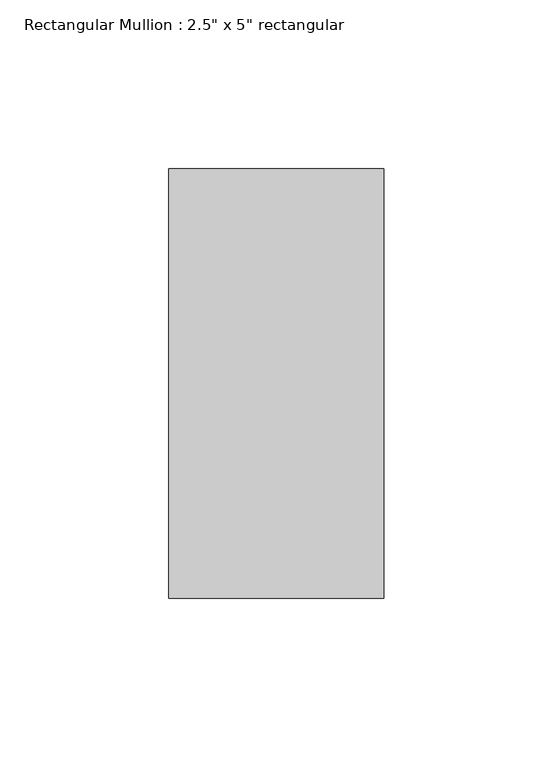
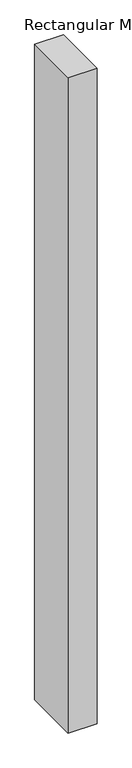
"""IFC4 building model written with IfcOpenShell, lengths in millimetres: member geometry."""

from ifc_helpers import new_model, si_unit, frame, origin, place, context, project, spatial, polyline, outline, extrude, source, transform, mapped, element, save


def member_82905deb(model_context):
    return source(origin(), model_context, "Body", "SweptSolid", [
        extrude(outline(polyline([(31.75, 63.5), (31.75, -63.5), (-31.75, -63.5), (-31.75, 63.5), (31.75, 63.5)])), frame((0.0, 0.0, -1524.0), z_axis=(0.0, 0.0, 1.0), x_axis=(1.0, 0.0, 0.0)), (0.0, 0.0, 1.0), 1524.0),
    ])


if __name__ == "__main__":
    model = new_model("IFC4")
    model_context = context("Model", 3, world=origin())
    ifc_project = project(units=[si_unit("LENGTHUNIT", "METRE", prefix="MILLI")], contexts=[model_context])
    site = spatial("IfcSite", under=ifc_project)
    building = spatial("IfcBuilding", under=site)
    placement = place(None, origin())
    member_shape = member_82905deb(model_context)
    element("IfcMember", 1, ObjectType="Rectangular Mullion : 2.5\" x 5\" rectangular", at=placement, inside=building, context=model_context, shape_type="MappedRepresentation", body=[
        mapped(member_shape, transform((0.0, 0.0, 0.0), x_axis=(1.0, 0.0, 0.0), y_axis=(0.0, 1.0, 0.0), z_axis=(0.0, 0.0, 1.0))),
    ])
    save(model, "model.ifc")
